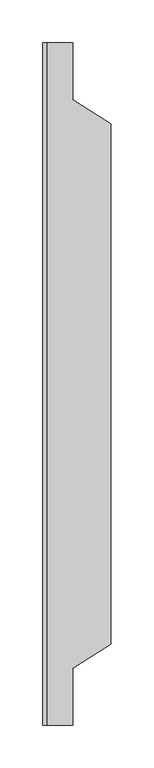
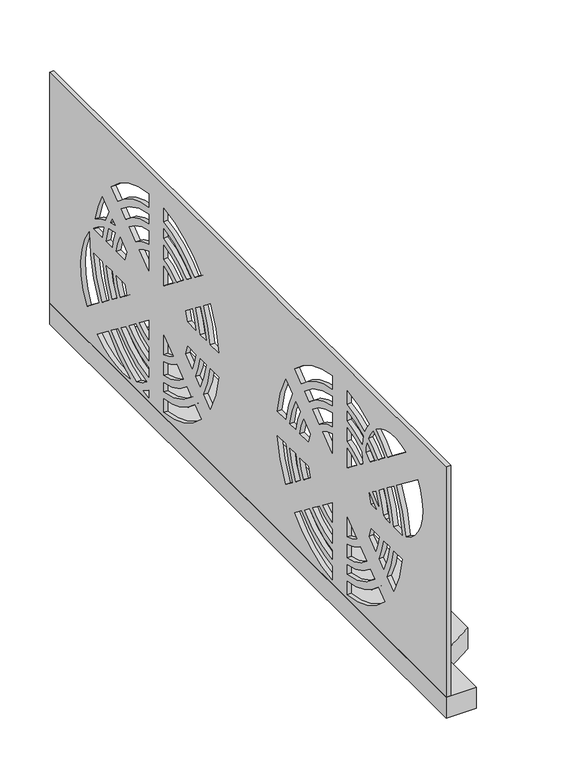
"""IFC4 building model written with IfcOpenShell, lengths in millimetres: proxy geometry."""

import ifcopenshell
import ifcopenshell.guid

model = None  # the IFC model being written
_history = None  # IfcOwnerHistory: only IFC2X3 demands one
_inside = {}  # id of a spatial element -> (the spatial element, [elements in it])
_under = {}  # id of a project, library or spatial element -> (it, [spatial elements below it])
_declared = {}  # id of a project -> (the project, [libraries it declares])
_typed = {}  # id of a type object -> (the type object, [elements of that type])
_made_of = {}  # id of a material, layer set ... -> (it, [elements and type objects made of it])


def new_model(schema):
    """Start an empty IFC model of exactly this schema.

    Asked for "IFC4X3", IfcOpenShell would pick the latest addendum, in which some entities
    have other attributes; the version numbers below select the first issue.
    IFC2X3 requires an IfcOwnerHistory on every rooted entity: one is made here for all.
    """
    global model, _history
    if schema == "IFC4X3":
        model = ifcopenshell.file(schema_version=(4, 3, 0, 0))
    else:
        model = ifcopenshell.file(schema=schema)
    _inside.clear()
    _under.clear()
    _declared.clear()
    _typed.clear()
    _made_of.clear()
    _history = None
    if model.schema == "IFC2X3":
        org = make("IfcOrganization", Name="unknown")
        user = make(
            "IfcPersonAndOrganization",
            ThePerson=make("IfcPerson", FamilyName="unknown"),
            TheOrganization=org,
        )
        app = make(
            "IfcApplication",
            ApplicationDeveloper=org,
            Version="unknown",
            ApplicationFullName="unknown",
            ApplicationIdentifier="unknown",
        )
        _history = make(
            "IfcOwnerHistory",
            OwningUser=user,
            OwningApplication=app,
            ChangeAction="ADDED",
            CreationDate=0,
        )
    return model


def make(cls, **values):
    """One entity of the class cls with the attributes given. An attribute that is None is left unset."""
    return model.create_entity(
        cls, **{name: value for name, value in values.items() if value is not None}
    )


def rooted(cls, **values):
    """An entity with a GlobalId (a new one), such as an element, a storey or a relation."""
    return make(cls, GlobalId=ifcopenshell.guid.new(), OwnerHistory=_history, **values)


def si_unit(unit_type, name, prefix=None):
    """IfcSIUnit, for example si_unit("LENGTHUNIT", "METRE", prefix="MILLI")."""
    return make("IfcSIUnit", UnitType=unit_type, Prefix=prefix, Name=name)


def assignment(units):
    """IfcUnitAssignment: the units of a project."""
    return None if units is None else make("IfcUnitAssignment", Units=units)


def point(xyz):
    """IfcCartesianPoint."""
    return None if xyz is None else make("IfcCartesianPoint", Coordinates=xyz)


def direction(xyz):
    """IfcDirection."""
    return None if xyz is None else make("IfcDirection", DirectionRatios=xyz)


def frame(location, z_axis=None, x_axis=None):
    """IfcAxis2Placement3D, a coordinate frame: its origin and axes. An axis left out is left unset."""
    return make(
        "IfcAxis2Placement3D",
        Location=point(location),
        Axis=direction(z_axis),
        RefDirection=direction(x_axis),
    )


def frame_2d(location, x_axis=None):
    """IfcAxis2Placement2D, a coordinate frame in the plane: its origin and x axis."""
    return make(
        "IfcAxis2Placement2D", Location=point(location), RefDirection=direction(x_axis)
    )


def origin():
    """The frame at (0, 0, 0) with its axes left unset."""
    return frame((0.0, 0.0, 0.0))


def place(relative_to, where):
    """IfcLocalPlacement: puts the frame where relative to a parent placement (None: the world)."""
    return make(
        "IfcLocalPlacement", PlacementRelTo=relative_to, RelativePlacement=where
    )


def context(
    kind, dimensions, precision=None, world=None, true_north=None, identifier=None
):
    """IfcGeometricRepresentationContext, for example the 3D "Model" context."""
    return make(
        "IfcGeometricRepresentationContext",
        ContextIdentifier=identifier,
        ContextType=kind,
        CoordinateSpaceDimension=dimensions,
        Precision=precision,
        WorldCoordinateSystem=world,
        TrueNorth=true_north,
    )


def project(units=None, contexts=None):
    """IfcProject with its units and contexts."""
    return rooted(
        "IfcProject",
        Name="project",
        RepresentationContexts=contexts,
        UnitsInContext=assignment(units),
    )


def spatial(cls, under=None, at=None, **own):
    """A site, building, storey or space (cls), placed at a placement, below another one or the project."""
    s = rooted(cls, ObjectPlacement=at, **own)
    if under is not None:
        _under.setdefault(under.id(), (under, []))[1].append(s)
    return s


def polyline(points):
    """IfcPolyline through the points."""
    return make("IfcPolyline", Points=[point(p) for p in points])


def circle_curve(where, radius):
    """IfcCircle in the frame where."""
    return make("IfcCircle", Position=where, Radius=radius)


def trimmed(basis, trim1, trim2, sense, master):
    """IfcTrimmedCurve: the piece of a basis curve between two trims."""
    return make(
        "IfcTrimmedCurve",
        BasisCurve=basis,
        Trim1=trim1,
        Trim2=trim2,
        SenseAgreement=sense,
        MasterRepresentation=master,
    )


def segment(curve, same_sense, transition):
    """IfcCompositeCurveSegment."""
    return make(
        "IfcCompositeCurveSegment",
        Transition=transition,
        SameSense=same_sense,
        ParentCurve=curve,
    )


def composite_curve(segments, self_intersect=None):
    """IfcCompositeCurve: segments joined end to end."""
    return make("IfcCompositeCurve", Segments=segments, SelfIntersect=self_intersect)


def outline(outer, holes=None, kind="AREA"):
    """IfcArbitraryClosedProfileDef: a profile drawn as a closed curve; with holes, ...WithVoids."""
    if holes is None:
        return make("IfcArbitraryClosedProfileDef", ProfileType=kind, OuterCurve=outer)
    return make(
        "IfcArbitraryProfileDefWithVoids",
        ProfileType=kind,
        OuterCurve=outer,
        InnerCurves=holes,
    )


def extrude(swept, where, along, depth):
    """IfcExtrudedAreaSolid: the profile swept, set in the frame where, extruded along a direction by depth."""
    return make(
        "IfcExtrudedAreaSolid",
        SweptArea=swept,
        Position=where,
        ExtrudedDirection=direction(along),
        Depth=depth,
    )


def shape(context_of_items, identifier, shape_type, items):
    """IfcShapeRepresentation: the items that make up one representation, for example the "Body"."""
    return make(
        "IfcShapeRepresentation",
        ContextOfItems=context_of_items,
        RepresentationIdentifier=identifier,
        RepresentationType=shape_type,
        Items=items,
    )


def source(mapping_origin, context_of_items, identifier, shape_type, items):
    """IfcRepresentationMap: a shape defined once, which mapped items show again and again."""
    return make(
        "IfcRepresentationMap",
        MappingOrigin=mapping_origin,
        MappedRepresentation=shape(context_of_items, identifier, shape_type, items),
    )


def transform(
    local_origin,
    x_axis=None,
    y_axis=None,
    z_axis=None,
    scale=None,
    scale2=None,
    scale3=None,
    uniform=True,
):
    """IfcCartesianTransformationOperator3D, or its non-uniform kind. x_axis, y_axis, z_axis: its Axis1, 2, 3."""
    if uniform:
        return make(
            "IfcCartesianTransformationOperator3D",
            Axis1=direction(x_axis),
            Axis2=direction(y_axis),
            LocalOrigin=point(local_origin),
            Scale=scale,
            Axis3=direction(z_axis),
        )
    return make(
        "IfcCartesianTransformationOperator3DnonUniform",
        Axis1=direction(x_axis),
        Axis2=direction(y_axis),
        LocalOrigin=point(local_origin),
        Scale=scale,
        Axis3=direction(z_axis),
        Scale2=scale2,
        Scale3=scale3,
    )


def mapped(mapping_source, mapping_target):
    """IfcMappedItem: shows the shape of a source again, moved by a transform."""
    return make(
        "IfcMappedItem", MappingSource=mapping_source, MappingTarget=mapping_target
    )


def made_of(thing, what):
    """Note that an element or type object is made of a material, layer set ...; save() writes the relation."""
    if what is not None:
        _made_of.setdefault(what.id(), (what, []))[1].append(thing)
    return thing


def element(
    cls,
    number,
    at=None,
    inside=None,
    cuts=None,
    type_object=None,
    material=None,
    context=None,
    identifier="Body",
    shape_type=None,
    held_by="IfcProductDefinitionShape",
    body=None,
    shapes=None,
    **own,
):
    """One element of the class cls, such as IfcWall. Its Tag is "e" and its number.

    at: its placement. inside: the storey or other place that contains it. cuts: it is an
    opening in that element (IfcRelVoidsElement). A single representation is given by context,
    identifier, shape_type and body (its items); several are given by shapes. held_by: the class
    of the entity that holds the representations. save() writes the other relations.
    """
    e = rooted(cls, Tag="e%d" % number, ObjectPlacement=at, **own)
    if body is not None:
        shapes = [shape(context, identifier, shape_type, body)]
    if shapes is not None:
        e.Representation = make(held_by, Representations=shapes)
    if inside is not None:
        _inside.setdefault(inside.id(), (inside, []))[1].append(e)
    if cuts is not None:
        rooted(
            "IfcRelVoidsElement", RelatingBuildingElement=cuts, RelatedOpeningElement=e
        )
    if type_object is not None:
        _typed.setdefault(type_object.id(), (type_object, []))[1].append(e)
    return made_of(e, material)


def aggregate(whole, parts):
    """IfcRelAggregates: a whole, such as a stair, and the parts it consists of."""
    return rooted("IfcRelAggregates", RelatingObject=whole, RelatedObjects=parts)


def save(model, path):
    """Write the relations noted so far, then the file.

    IfcRelAggregates (storeys below a building ...), IfcRelContainedInSpatialStructure (elements
    in a storey), IfcRelDefinesByType, IfcRelAssociatesMaterial and IfcRelDeclares: one each for
    every whole, place, type object, material and project.
    """
    for whole, parts in _under.values():
        aggregate(whole, parts)
    for where, things in _inside.values():
        rooted(
            "IfcRelContainedInSpatialStructure",
            RelatedElements=things,
            RelatingStructure=where,
        )
    for kind, things in _typed.values():
        rooted("IfcRelDefinesByType", RelatedObjects=things, RelatingType=kind)
    for what, things in _made_of.values():
        rooted("IfcRelAssociatesMaterial", RelatedObjects=things, RelatingMaterial=what)
    for by, libraries in _declared.values():
        rooted("IfcRelDeclares", RelatingContext=by, RelatedDefinitions=libraries)
    model.write(path)


def specialty_equipment_1ec8d2ef(model_context):
    return source(origin(), model_context, "Body", "SweptSolid", [
        extrude(outline(polyline([(-1157.5, -400.0), (-1157.5, 400.0), (-1122.5, 400.0), (-1122.5, 333.125), (-1077.5, 305.0), (-1077.5, -305.0), (-1122.5, -333.125), (-1122.5, -400.0), (-1157.5, -400.0)])), frame((0.0, 0.0, 40.0), z_axis=(0.0, 0.0, 1.0), x_axis=(1.0, 0.0, 0.0)), (0.0, 0.0, 1.0), 26.0),
        extrude(outline(polyline([(-400.0, 350.0), (400.0, 350.0), (400.0, 40.0), (-400.0, 40.0), (-400.0, 350.0)]), holes=[composite_curve([segment(trimmed(circle_curve(frame_2d((185.0, 196.5)), 135.0), [point((319.8820078, 202.143046))], [point((300.4489875, 126.5247809))], False, "CARTESIAN"), True, "CONTINUOUS"), segment(polyline([(300.4489875, 126.5247809), (324.2966227, 108.1596295)]), True, "CONTINUOUS"), segment(trimmed(circle_curve(frame_2d((255.0, 152.0)), 82.0), [point((324.2966227, 108.1596295))], [point((319.8820078, 202.143046))], True, "CARTESIAN"), True, "CONTINUOUS")], self_intersect=False), composite_curve([segment(trimmed(circle_curve(frame_2d((255.0, 152.0)), 82.0), [point((310.5015775, 212.3620319))], [point((291.069857, 225.6407863))], True, "CARTESIAN"), True, "CONTINUOUS"), segment(trimmed(circle_curve(frame_2d((185.0, 196.5)), 110.0), [point((291.069857, 225.6407863))], [point((293.9724736, 211.5))], False, "CARTESIAN"), True, "CONTINUOUS"), segment(polyline([(293.9724736, 211.5), (310.6075237, 211.5)]), True, "CONTINUOUS"), segment(trimmed(circle_curve(frame_2d((184.9999998, 196.5)), 126.5000002), [point((310.6075237, 211.5))], [point((310.5015775, 212.3620319))], True, "CARTESIAN"), True, "CONTINUOUS")], self_intersect=False), composite_curve([segment(polyline([(293.6697176, 261.2544785), (280.4899397, 251.1046831)]), True, "CONTINUOUS"), segment(trimmed(circle_curve(frame_2d((185.0, 196.5)), 110.0), [point((280.4899397, 251.1046831))], [point((287.4811051, 236.4702777))], False, "CARTESIAN"), True, "CONTINUOUS"), segment(trimmed(circle_curve(frame_2d((255.0, 152.0)), 90.5), [point((287.4811051, 236.4702777))], [point((308.1981724, 225.2134172))], False, "CARTESIAN"), True, "CONTINUOUS"), segment(trimmed(circle_curve(frame_2d((185.0, 196.5)), 126.5), [point((308.1981724, 225.2134172))], [point((293.6697176, 261.2544785))], True, "CARTESIAN"), True, "CONTINUOUS")], self_intersect=False), composite_curve([segment(trimmed(circle_curve(frame_2d((185.0, 196.5)), 110.0), [point((293.9724736, 181.5))], [point((280.4899397, 141.8953169))], False, "CARTESIAN"), True, "CONTINUOUS"), segment(polyline([(280.4899397, 141.8953169), (293.6697176, 131.7455215)]), True, "CONTINUOUS"), segment(trimmed(circle_curve(frame_2d((185.0, 196.5)), 126.5), [point((293.6697176, 131.7455215))], [point((310.6075237, 181.5))], True, "CARTESIAN"), True, "CONTINUOUS"), segment(polyline([(310.6075237, 181.5), (293.9724736, 181.5)]), True, "CONTINUOUS")], self_intersect=False), composite_curve([segment(polyline([(273.6865749, 245.8653869), (268.0822264, 241.5494576)]), True, "CONTINUOUS"), segment(trimmed(circle_curve(frame_2d((255.0, 152.0)), 90.5), [point((268.0822264, 241.5494576))], [point((276.7819628, 239.8396044))], False, "CARTESIAN"), True, "CONTINUOUS"), segment(trimmed(circle_curve(frame_2d((185.0, 196.5)), 101.5), [point((276.7819628, 239.8396044))], [point((273.6865749, 245.8653869))], True, "CARTESIAN"), True, "CONTINUOUS")], self_intersect=False), composite_curve([segment(trimmed(circle_curve(frame_2d((255.0, 152.0)), 82.0), [point((280.8787765, 229.8093113))], [point((267.2294971, 233.0829168))], True, "CARTESIAN"), True, "CONTINUOUS"), segment(trimmed(circle_curve(frame_2d((185.0, 196.5)), 90.0), [point((267.2294971, 233.0829168))], [point((273.7411967, 211.5))], False, "CARTESIAN"), True, "CONTINUOUS"), segment(polyline([(273.7411967, 211.5), (285.3855069, 211.5)]), True, "CONTINUOUS"), segment(trimmed(circle_curve(frame_2d((185.0, 196.5)), 101.5), [point((285.3855069, 211.5))], [point((280.8787765, 229.8093113))], True, "CARTESIAN"), True, "CONTINUOUS")], self_intersect=False), composite_curve([segment(trimmed(circle_curve(frame_2d((185.0, 196.5)), 90.0), [point((273.7411967, 181.5))], [point((264.4609086, 154.2393326))], False, "CARTESIAN"), True, "CONTINUOUS"), segment(polyline([(264.4609086, 154.2393326), (273.6865749, 147.1346131)]), True, "CONTINUOUS"), segment(trimmed(circle_curve(frame_2d((185.0, 196.5)), 101.5), [point((273.6865749, 147.1346131))], [point((285.3855069, 181.5))], True, "CARTESIAN"), True, "CONTINUOUS"), segment(polyline([(285.3855069, 181.5), (273.7411967, 181.5)]), True, "CONTINUOUS")], self_intersect=False), composite_curve([segment(polyline([(257.6207102, 233.4930055), (244.2609742, 223.2046238)]), True, "CONTINUOUS"), segment(trimmed(circle_curve(frame_2d((185.0, 196.5)), 65.0), [point((244.2609742, 223.2046238))], [point((248.2455532, 211.5))], False, "CARTESIAN"), True, "CONTINUOUS"), segment(polyline([(248.2455532, 211.5), (265.10774, 211.5)]), True, "CONTINUOUS"), segment(trimmed(circle_curve(frame_2d((185.0, 196.5)), 81.5), [point((265.10774, 211.5))], [point((257.6207102, 233.4930055))], True, "CARTESIAN"), True, "CONTINUOUS")], self_intersect=False), composite_curve([segment(trimmed(circle_curve(frame_2d((185.0, 196.5)), 65.0), [point((248.2455532, 181.5))], [point((244.2609742, 169.7953762))], False, "CARTESIAN"), True, "CONTINUOUS"), segment(polyline([(244.2609742, 169.7953762), (257.6207102, 159.5069945)]), True, "CONTINUOUS"), segment(trimmed(circle_curve(frame_2d((185.0, 196.5)), 81.5), [point((257.6207102, 159.5069945))], [point((265.10774, 181.5))], True, "CARTESIAN"), True, "CONTINUOUS"), segment(polyline([(265.10774, 181.5), (248.2455532, 181.5)]), True, "CONTINUOUS")], self_intersect=False), composite_curve([segment(trimmed(circle_curve(frame_2d((185.0, 196.5)), 135.0), [point((282.1446326, 102.7560916))], [point((237.1297287, 71.9709215))], False, "CARTESIAN"), True, "CONTINUOUS"), segment(trimmed(circle_curve(frame_2d((255.0, 152.0)), 82.0), [point((237.1297287, 71.9709215))], [point((303.7849826, 86.0907786))], True, "CARTESIAN"), True, "CONTINUOUS"), segment(polyline([(303.7849826, 86.0907786), (282.1446326, 102.7560916)]), True, "CONTINUOUS")], self_intersect=False), composite_curve([segment(trimmed(circle_curve(frame_2d((185.0, 196.5)), 110.0), [point((262.1855848, 118.1266276))], [point((203.6258299, 88.0883841))], False, "CARTESIAN"), True, "CONTINUOUS"), segment(trimmed(circle_curve(frame_2d((255.0, 152.0)), 82.0), [point((203.6258299, 88.0883841))], [point((223.8957918, 76.1282119))], True, "CARTESIAN"), True, "CONTINUOUS"), segment(trimmed(circle_curve(frame_2d((185.0, 196.5)), 126.5), [point((223.8957918, 76.1282119))], [point((275.3653627, 107.9768322))], True, "CARTESIAN"), True, "CONTINUOUS"), segment(polyline([(275.3653627, 107.9768322), (262.1855848, 118.1266276)]), True, "CONTINUOUS")], self_intersect=False), composite_curve([segment(polyline([(200.0, 322.1075237), (200.0, 305.4724736)]), True, "CONTINUOUS"), segment(trimmed(circle_curve(frame_2d((185.0, 196.5)), 110.0), [point((200.0, 305.4724736))], [point((262.1855848, 274.8733724))], False, "CARTESIAN"), True, "CONTINUOUS"), segment(polyline([(262.1855848, 274.8733724), (275.3653627, 285.0231678)]), True, "CONTINUOUS"), segment(trimmed(circle_curve(frame_2d((185.0, 196.5)), 126.5), [point((275.3653627, 285.0231678))], [point((200.0, 322.1075237))], True, "CARTESIAN"), True, "CONTINUOUS")], self_intersect=False), composite_curve([segment(polyline([(200.0, 166.0159748), (200.0, 142.0275299)]), True, "CONTINUOUS"), segment(trimmed(circle_curve(frame_2d((185.0, 196.5)), 56.5), [point((200.0, 142.0275299))], [point((219.0057965, 151.3795411))], True, "CARTESIAN"), True, "CONTINUOUS"), segment(polyline([(219.0057965, 151.3795411), (200.0, 166.0159748)]), True, "CONTINUOUS")], self_intersect=False), composite_curve([segment(polyline([(200.0, 133.2544468), (200.0, 116.39226)]), True, "CONTINUOUS"), segment(trimmed(circle_curve(frame_2d((185.0, 196.5)), 81.5), [point((200.0, 116.39226))], [point((239.3163553, 135.7383052))], True, "CARTESIAN"), True, "CONTINUOUS"), segment(polyline([(239.3163553, 135.7383052), (225.9566193, 146.0266869)]), True, "CONTINUOUS"), segment(trimmed(circle_curve(frame_2d((185.0, 196.5)), 65.0), [point((225.9566193, 146.0266869))], [point((200.0, 133.2544468))], False, "CARTESIAN"), True, "CONTINUOUS")], self_intersect=False), composite_curve([segment(polyline([(200.0, 250.9724701), (200.0, 226.9840252), (219.0057965, 241.6204589)]), True, "CONTINUOUS"), segment(trimmed(circle_curve(frame_2d((185.0, 196.5)), 56.5), [point((219.0057965, 241.6204589))], [point((200.0, 250.9724701))], True, "CARTESIAN"), True, "CONTINUOUS")], self_intersect=False), composite_curve([segment(trimmed(circle_curve(frame_2d((185.0, 196.5)), 81.5), [point((239.3163553, 257.2616948))], [point((200.0, 276.60774))], True, "CARTESIAN"), True, "CONTINUOUS"), segment(polyline([(200.0, 276.60774), (200.0, 259.7455532)]), True, "CONTINUOUS"), segment(trimmed(circle_curve(frame_2d((185.0, 196.5)), 65.0), [point((200.0, 259.7455532))], [point((225.9566193, 246.9733131))], False, "CARTESIAN"), True, "CONTINUOUS"), segment(polyline([(225.9566193, 246.9733131), (239.3163553, 257.2616948)]), True, "CONTINUOUS")], self_intersect=False), composite_curve([segment(polyline([(200.0, 107.7588033), (200.0, 96.1144931)]), True, "CONTINUOUS"), segment(trimmed(circle_curve(frame_2d((185.0, 196.5)), 101.5), [point((200.0, 96.1144931))], [point((255.38222, 123.3659238))], True, "CARTESIAN"), True, "CONTINUOUS"), segment(polyline([(255.38222, 123.3659238), (246.1565537, 130.4706433)]), True, "CONTINUOUS"), segment(trimmed(circle_curve(frame_2d((185.0, 196.5)), 90.0), [point((246.1565537, 130.4706433))], [point((200.0, 107.7588033))], False, "CARTESIAN"), True, "CONTINUOUS")], self_intersect=False), composite_curve([segment(trimmed(circle_curve(frame_2d((185.0, 196.5)), 101.5), [point((255.38222, 269.6340762))], [point((200.0, 296.8855069))], True, "CARTESIAN"), True, "CONTINUOUS"), segment(polyline([(200.0, 296.8855069), (200.0, 285.2411967)]), True, "CONTINUOUS"), segment(trimmed(circle_curve(frame_2d((185.0, 196.5)), 90.0), [point((200.0, 285.2411967))], [point((246.1565537, 262.5293567))], False, "CARTESIAN"), True, "CONTINUOUS"), segment(polyline([(246.1565537, 262.5293567), (255.38222, 269.6340762)]), True, "CONTINUOUS")], self_intersect=False), composite_curve([segment(polyline([(200.0, 80.1303263), (200.0, 70.8924763)]), True, "CONTINUOUS"), segment(trimmed(circle_curve(frame_2d((185.0, 196.5)), 126.5), [point((200.0, 70.8924763))], [point((211.2814977, 72.7602211))], True, "CARTESIAN"), True, "CONTINUOUS"), segment(trimmed(circle_curve(frame_2d((255.0, 152.0)), 90.5), [point((211.2814977, 72.7602211))], [point((200.0, 80.1303263))], False, "CARTESIAN"), True, "CONTINUOUS")], self_intersect=False), composite_curve([segment(polyline([(170.0, 166.0159748), (150.9942035, 151.3795411)]), True, "CONTINUOUS"), segment(trimmed(circle_curve(frame_2d((185.0, 196.5)), 56.5), [point((150.9942035, 151.3795411))], [point((170.0, 142.0275299))], True, "CARTESIAN"), True, "CONTINUOUS"), segment(polyline([(170.0, 142.0275299), (170.0, 166.0159748)]), True, "CONTINUOUS")], self_intersect=False), composite_curve([segment(trimmed(circle_curve(frame_2d((185.0, 196.5)), 56.5), [point((170.0, 250.9724701))], [point((150.9942035, 241.6204589))], True, "CARTESIAN"), True, "CONTINUOUS"), segment(polyline([(150.9942035, 241.6204589), (170.0, 226.9840252), (170.0, 250.9724701)]), True, "CONTINUOUS")], self_intersect=False), composite_curve([segment(polyline([(144.0433807, 146.0266869), (130.6836447, 135.7383052)]), True, "CONTINUOUS"), segment(trimmed(circle_curve(frame_2d((185.0, 196.5)), 81.5), [point((130.6836447, 135.7383052))], [point((170.0, 116.39226))], True, "CARTESIAN"), True, "CONTINUOUS"), segment(polyline([(170.0, 116.39226), (170.0, 133.2544468)]), True, "CONTINUOUS"), segment(trimmed(circle_curve(frame_2d((185.0, 196.5)), 65.0), [point((170.0, 133.2544468))], [point((144.0433807, 146.0266869))], False, "CARTESIAN"), True, "CONTINUOUS")], self_intersect=False), composite_curve([segment(trimmed(circle_curve(frame_2d((185.0, 196.5)), 81.5), [point((170.0, 276.60774))], [point((130.6836447, 257.2616948))], True, "CARTESIAN"), True, "CONTINUOUS"), segment(polyline([(130.6836447, 257.2616948), (144.0433807, 246.9733131)]), True, "CONTINUOUS"), segment(trimmed(circle_curve(frame_2d((185.0, 196.5)), 65.0), [point((144.0433807, 246.9733131))], [point((170.0, 259.7455532))], False, "CARTESIAN"), True, "CONTINUOUS"), segment(polyline([(170.0, 259.7455532), (170.0, 276.60774)]), True, "CONTINUOUS")], self_intersect=False), composite_curve([segment(polyline([(123.8434463, 130.4706433), (114.61778, 123.3659238)]), True, "CONTINUOUS"), segment(trimmed(circle_curve(frame_2d((185.0, 196.5)), 101.5), [point((114.61778, 123.3659238))], [point((170.0, 96.1144931))], True, "CARTESIAN"), True, "CONTINUOUS"), segment(polyline([(170.0, 96.1144931), (170.0, 107.7588033)]), True, "CONTINUOUS"), segment(trimmed(circle_curve(frame_2d((185.0, 196.5)), 90.0), [point((170.0, 107.7588033))], [point((123.8434463, 130.4706433))], False, "CARTESIAN"), True, "CONTINUOUS")], self_intersect=False), composite_curve([segment(trimmed(circle_curve(frame_2d((185.0, 196.5)), 101.5), [point((170.0, 296.8855069))], [point((114.61778, 269.6340762))], True, "CARTESIAN"), True, "CONTINUOUS"), segment(polyline([(114.61778, 269.6340762), (123.8434463, 262.5293567)]), True, "CONTINUOUS"), segment(trimmed(circle_curve(frame_2d((185.0, 196.5)), 90.0), [point((123.8434463, 262.5293567))], [point((170.0, 285.2411967))], False, "CARTESIAN"), True, "CONTINUOUS"), segment(polyline([(170.0, 285.2411967), (170.0, 296.8855069)]), True, "CONTINUOUS")], self_intersect=False), composite_curve([segment(trimmed(circle_curve(frame_2d((185.0, 196.5)), 81.5), [point((112.3792898, 233.4930055))], [point((104.89226, 211.5))], True, "CARTESIAN"), True, "CONTINUOUS"), segment(polyline([(104.89226, 211.5), (121.7544468, 211.5)]), True, "CONTINUOUS"), segment(trimmed(circle_curve(frame_2d((185.0, 196.5)), 65.0), [point((121.7544468, 211.5))], [point((125.7390258, 223.2046238))], False, "CARTESIAN"), True, "CONTINUOUS"), segment(polyline([(125.7390258, 223.2046238), (112.3792898, 233.4930055)]), True, "CONTINUOUS")], self_intersect=False), composite_curve([segment(polyline([(121.7544468, 181.5), (104.89226, 181.5)]), True, "CONTINUOUS"), segment(trimmed(circle_curve(frame_2d((185.0, 196.5)), 81.5), [point((104.89226, 181.5))], [point((112.3792898, 159.5069945))], True, "CARTESIAN"), True, "CONTINUOUS"), segment(polyline([(112.3792898, 159.5069945), (125.7390258, 169.7953762)]), True, "CONTINUOUS"), segment(trimmed(circle_curve(frame_2d((185.0, 196.5)), 65.0), [point((125.7390258, 169.7953762))], [point((121.7544468, 181.5))], False, "CARTESIAN"), True, "CONTINUOUS")], self_intersect=False), composite_curve([segment(polyline([(107.8144152, 118.1266276), (94.6346373, 107.9768322)]), True, "CONTINUOUS"), segment(trimmed(circle_curve(frame_2d((185.0, 196.5)), 126.5), [point((94.6346373, 107.9768322))], [point((170.0, 70.8924763))], True, "CARTESIAN"), True, "CONTINUOUS"), segment(polyline([(170.0, 70.8924763), (170.0, 87.5275264)]), True, "CONTINUOUS"), segment(trimmed(circle_curve(frame_2d((185.0, 196.5)), 110.0), [point((170.0, 87.5275264))], [point((107.8144152, 118.1266276))], False, "CARTESIAN"), True, "CONTINUOUS")], self_intersect=False), composite_curve([segment(trimmed(circle_curve(frame_2d((185.0, 196.5)), 126.5), [point((170.0, 322.1075237))], [point((94.6346373, 285.0231678))], True, "CARTESIAN"), True, "CONTINUOUS"), segment(polyline([(94.6346373, 285.0231678), (107.8144152, 274.8733724)]), True, "CONTINUOUS"), segment(trimmed(circle_curve(frame_2d((185.0, 196.5)), 110.0), [point((107.8144152, 274.8733724))], [point((170.0, 305.4724736))], False, "CARTESIAN"), True, "CONTINUOUS"), segment(polyline([(170.0, 305.4724736), (170.0, 322.1075237)]), True, "CONTINUOUS")], self_intersect=False), composite_curve([segment(polyline([(96.2588033, 181.5), (84.6144931, 181.5)]), True, "CONTINUOUS"), segment(trimmed(circle_curve(frame_2d((185.0, 196.5)), 101.5), [point((84.6144931, 181.5))], [point((96.3134251, 147.1346131))], True, "CARTESIAN"), True, "CONTINUOUS"), segment(polyline([(96.3134251, 147.1346131), (105.5390914, 154.2393326)]), True, "CONTINUOUS"), segment(trimmed(circle_curve(frame_2d((185.0, 196.5)), 90.0), [point((105.5390914, 154.2393326))], [point((96.2588033, 181.5))], False, "CARTESIAN"), True, "CONTINUOUS")], self_intersect=False), composite_curve([segment(trimmed(circle_curve(frame_2d((185.0, 196.5)), 101.5), [point((96.3134251, 245.8653869))], [point((84.6144931, 211.5))], True, "CARTESIAN"), True, "CONTINUOUS"), segment(polyline([(84.6144931, 211.5), (96.2588033, 211.5)]), True, "CONTINUOUS"), segment(trimmed(circle_curve(frame_2d((185.0, 196.5)), 90.0), [point((96.2588033, 211.5))], [point((105.5390914, 238.7606674))], False, "CARTESIAN"), True, "CONTINUOUS"), segment(polyline([(105.5390914, 238.7606674), (96.3134251, 245.8653869)]), True, "CONTINUOUS")], self_intersect=False), composite_curve([segment(trimmed(circle_curve(frame_2d((185.0, 196.5)), 126.5), [point((76.3302824, 261.2544785))], [point((59.3924763, 211.5))], True, "CARTESIAN"), True, "CONTINUOUS"), segment(polyline([(59.3924763, 211.5), (76.0275264, 211.5)]), True, "CONTINUOUS"), segment(trimmed(circle_curve(frame_2d((185.0, 196.5)), 110.0), [point((76.0275264, 211.5))], [point((89.5100603, 251.1046831))], False, "CARTESIAN"), True, "CONTINUOUS"), segment(polyline([(89.5100603, 251.1046831), (76.3302824, 261.2544785)]), True, "CONTINUOUS")], self_intersect=False), composite_curve([segment(polyline([(76.0275264, 181.5), (59.3924763, 181.5)]), True, "CONTINUOUS"), segment(trimmed(circle_curve(frame_2d((185.0, 196.5)), 126.5), [point((59.3924763, 181.5))], [point((76.3302824, 131.7455215))], True, "CARTESIAN"), True, "CONTINUOUS"), segment(polyline([(76.3302824, 131.7455215), (89.5100603, 141.8953169)]), True, "CONTINUOUS"), segment(trimmed(circle_curve(frame_2d((185.0, 196.5)), 110.0), [point((89.5100603, 141.8953169))], [point((76.0275264, 181.5))], False, "CARTESIAN"), True, "CONTINUOUS")], self_intersect=False), composite_curve([segment(polyline([(-76.3302824, 261.2544785), (-89.5100603, 251.1046831)]), True, "CONTINUOUS"), segment(trimmed(circle_curve(frame_2d((-185.0, 196.5)), 110.0), [point((-89.5100603, 251.1046831))], [point((-76.0275264, 211.5))], False, "CARTESIAN"), True, "CONTINUOUS"), segment(polyline([(-76.0275264, 211.5), (-59.3924763, 211.5)]), True, "CONTINUOUS"), segment(trimmed(circle_curve(frame_2d((-185.0, 196.5)), 126.5), [point((-59.3924763, 211.5))], [point((-76.3302824, 261.2544785))], True, "CARTESIAN"), True, "CONTINUOUS")], self_intersect=False), composite_curve([segment(trimmed(circle_curve(frame_2d((-185.0, 196.5)), 110.0), [point((-76.0275264, 181.5))], [point((-89.5100603, 141.8953169))], False, "CARTESIAN"), True, "CONTINUOUS"), segment(polyline([(-89.5100603, 141.8953169), (-76.3302824, 131.7455215)]), True, "CONTINUOUS"), segment(trimmed(circle_curve(frame_2d((-185.0, 196.5)), 126.5), [point((-76.3302824, 131.7455215))], [point((-59.3924763, 181.5))], True, "CARTESIAN"), True, "CONTINUOUS"), segment(polyline([(-59.3924763, 181.5), (-76.0275264, 181.5)]), True, "CONTINUOUS")], self_intersect=False), composite_curve([segment(polyline([(-96.3134251, 245.8653869), (-105.5390914, 238.7606674)]), True, "CONTINUOUS"), segment(trimmed(circle_curve(frame_2d((-185.0, 196.5)), 90.0), [point((-105.5390914, 238.7606674))], [point((-96.2588033, 211.5))], False, "CARTESIAN"), True, "CONTINUOUS"), segment(polyline([(-96.2588033, 211.5), (-84.6144931, 211.5)]), True, "CONTINUOUS"), segment(trimmed(circle_curve(frame_2d((-185.0, 196.5)), 101.5), [point((-84.6144931, 211.5))], [point((-96.3134251, 245.8653869))], True, "CARTESIAN"), True, "CONTINUOUS")], self_intersect=False), composite_curve([segment(trimmed(circle_curve(frame_2d((-185.0, 196.5)), 90.0), [point((-96.2588033, 181.5))], [point((-105.5390914, 154.2393326))], False, "CARTESIAN"), True, "CONTINUOUS"), segment(polyline([(-105.5390914, 154.2393326), (-96.3134251, 147.1346131)]), True, "CONTINUOUS"), segment(trimmed(circle_curve(frame_2d((-185.0, 196.5)), 101.5), [point((-96.3134251, 147.1346131))], [point((-84.6144931, 181.5))], True, "CARTESIAN"), True, "CONTINUOUS"), segment(polyline([(-84.6144931, 181.5), (-96.2588033, 181.5)]), True, "CONTINUOUS")], self_intersect=False), composite_curve([segment(trimmed(circle_curve(frame_2d((-185.0, 196.5)), 65.0), [point((-121.7544468, 181.5))], [point((-125.7390258, 169.7953762))], False, "CARTESIAN"), True, "CONTINUOUS"), segment(polyline([(-125.7390258, 169.7953762), (-112.3792898, 159.5069945)]), True, "CONTINUOUS"), segment(trimmed(circle_curve(frame_2d((-185.0, 196.5)), 81.5), [point((-112.3792898, 159.5069945))], [point((-104.89226, 181.5))], True, "CARTESIAN"), True, "CONTINUOUS"), segment(polyline([(-104.89226, 181.5), (-121.7544468, 181.5)]), True, "CONTINUOUS")], self_intersect=False), composite_curve([segment(polyline([(-112.3792898, 233.4930055), (-125.7390258, 223.2046238)]), True, "CONTINUOUS"), segment(trimmed(circle_curve(frame_2d((-185.0, 196.5)), 65.0), [point((-125.7390258, 223.2046238))], [point((-121.7544468, 211.5))], False, "CARTESIAN"), True, "CONTINUOUS"), segment(polyline([(-121.7544468, 211.5), (-104.89226, 211.5)]), True, "CONTINUOUS"), segment(trimmed(circle_curve(frame_2d((-185.0, 196.5)), 81.5), [point((-104.89226, 211.5))], [point((-112.3792898, 233.4930055))], True, "CARTESIAN"), True, "CONTINUOUS")], self_intersect=False), composite_curve([segment(polyline([(-170.0, 322.1075237), (-170.0, 305.4724736)]), True, "CONTINUOUS"), segment(trimmed(circle_curve(frame_2d((-185.0, 196.5)), 110.0), [point((-170.0, 305.4724736))], [point((-107.8144152, 274.8733724))], False, "CARTESIAN"), True, "CONTINUOUS"), segment(polyline([(-107.8144152, 274.8733724), (-94.6346373, 285.0231678)]), True, "CONTINUOUS"), segment(trimmed(circle_curve(frame_2d((-185.0, 196.5)), 126.5), [point((-94.6346373, 285.0231678))], [point((-170.0, 322.1075237))], True, "CARTESIAN"), True, "CONTINUOUS")], self_intersect=False), composite_curve([segment(polyline([(-170.0, 166.0159748), (-170.0, 142.0275299)]), True, "CONTINUOUS"), segment(trimmed(circle_curve(frame_2d((-185.0, 196.5)), 56.5), [point((-170.0, 142.0275299))], [point((-150.9942035, 151.3795411))], True, "CARTESIAN"), True, "CONTINUOUS"), segment(polyline([(-150.9942035, 151.3795411), (-170.0, 166.0159748)]), True, "CONTINUOUS")], self_intersect=False), composite_curve([segment(polyline([(-170.0, 133.2544468), (-170.0, 116.39226)]), True, "CONTINUOUS"), segment(trimmed(circle_curve(frame_2d((-185.0, 196.5)), 81.5), [point((-170.0, 116.39226))], [point((-130.6836447, 135.7383052))], True, "CARTESIAN"), True, "CONTINUOUS"), segment(polyline([(-130.6836447, 135.7383052), (-144.0433807, 146.0266869)]), True, "CONTINUOUS"), segment(trimmed(circle_curve(frame_2d((-185.0, 196.5)), 65.0), [point((-144.0433807, 146.0266869))], [point((-170.0, 133.2544468))], False, "CARTESIAN"), True, "CONTINUOUS")], self_intersect=False), composite_curve([segment(polyline([(-170.0, 250.9724701), (-170.0, 226.9840252), (-150.9942035, 241.6204589)]), True, "CONTINUOUS"), segment(trimmed(circle_curve(frame_2d((-185.0, 196.5)), 56.5), [point((-150.9942035, 241.6204589))], [point((-170.0, 250.9724701))], True, "CARTESIAN"), True, "CONTINUOUS")], self_intersect=False), composite_curve([segment(trimmed(circle_curve(frame_2d((-185.0, 196.5)), 81.5), [point((-130.6836447, 257.2616948))], [point((-170.0, 276.60774))], True, "CARTESIAN"), True, "CONTINUOUS"), segment(polyline([(-170.0, 276.60774), (-170.0, 259.7455532)]), True, "CONTINUOUS"), segment(trimmed(circle_curve(frame_2d((-185.0, 196.5)), 65.0), [point((-170.0, 259.7455532))], [point((-144.0433807, 246.9733131))], False, "CARTESIAN"), True, "CONTINUOUS"), segment(polyline([(-144.0433807, 246.9733131), (-130.6836447, 257.2616948)]), True, "CONTINUOUS")], self_intersect=False), composite_curve([segment(polyline([(-170.0, 107.7588033), (-170.0, 96.1144931)]), True, "CONTINUOUS"), segment(trimmed(circle_curve(frame_2d((-185.0, 196.5)), 101.5), [point((-170.0, 96.1144931))], [point((-114.61778, 123.3659238))], True, "CARTESIAN"), True, "CONTINUOUS"), segment(polyline([(-114.61778, 123.3659238), (-123.8434463, 130.4706433)]), True, "CONTINUOUS"), segment(trimmed(circle_curve(frame_2d((-185.0, 196.5)), 90.0), [point((-123.8434463, 130.4706433))], [point((-170.0, 107.7588033))], False, "CARTESIAN"), True, "CONTINUOUS")], self_intersect=False), composite_curve([segment(trimmed(circle_curve(frame_2d((-185.0, 196.5)), 101.5), [point((-114.61778, 269.6340762))], [point((-170.0, 296.8855069))], True, "CARTESIAN"), True, "CONTINUOUS"), segment(polyline([(-170.0, 296.8855069), (-170.0, 285.2411967)]), True, "CONTINUOUS"), segment(trimmed(circle_curve(frame_2d((-185.0, 196.5)), 90.0), [point((-170.0, 285.2411967))], [point((-123.8434463, 262.5293567))], False, "CARTESIAN"), True, "CONTINUOUS"), segment(polyline([(-123.8434463, 262.5293567), (-114.61778, 269.6340762)]), True, "CONTINUOUS")], self_intersect=False), composite_curve([segment(polyline([(-170.0, 87.5275264), (-170.0, 70.8924763)]), True, "CONTINUOUS"), segment(trimmed(circle_curve(frame_2d((-185.0, 196.5)), 126.5), [point((-170.0, 70.8924763))], [point((-94.6346373, 107.9768322))], True, "CARTESIAN"), True, "CONTINUOUS"), segment(polyline([(-94.6346373, 107.9768322), (-107.8144152, 118.1266276)]), True, "CONTINUOUS"), segment(trimmed(circle_curve(frame_2d((-185.0, 196.5)), 110.0), [point((-107.8144152, 118.1266276))], [point((-170.0, 87.5275264))], False, "CARTESIAN"), True, "CONTINUOUS")], self_intersect=False), composite_curve([segment(polyline([(-200.0, 166.0159748), (-219.0057965, 151.3795411)]), True, "CONTINUOUS"), segment(trimmed(circle_curve(frame_2d((-185.0, 196.5)), 56.5), [point((-219.0057965, 151.3795411))], [point((-200.0, 142.0275299))], True, "CARTESIAN"), True, "CONTINUOUS"), segment(polyline([(-200.0, 142.0275299), (-200.0, 166.0159748)]), True, "CONTINUOUS")], self_intersect=False), composite_curve([segment(trimmed(circle_curve(frame_2d((-185.0, 196.5)), 56.5), [point((-200.0, 250.9724701))], [point((-219.0057965, 241.6204589))], True, "CARTESIAN"), True, "CONTINUOUS"), segment(polyline([(-219.0057965, 241.6204589), (-200.0, 226.9840252), (-200.0, 250.9724701)]), True, "CONTINUOUS")], self_intersect=False), composite_curve([segment(trimmed(circle_curve(frame_2d((-295.0, 266.0)), 65.5), [point((-229.511525, 264.7713274))], [point((-231.2322126, 251.0360669))], False, "CARTESIAN"), True, "CONTINUOUS"), segment(polyline([(-231.2322126, 251.0360669), (-225.9566193, 246.9733131)]), True, "CONTINUOUS"), segment(trimmed(circle_curve(frame_2d((-185.0, 196.5)), 65.0), [point((-225.9566193, 246.9733131))], [point((-200.0, 259.7455532))], False, "CARTESIAN"), True, "CONTINUOUS"), segment(polyline([(-200.0, 259.7455532), (-200.0, 276.60774)]), True, "CONTINUOUS"), segment(trimmed(circle_curve(frame_2d((-185.0, 196.5)), 81.5), [point((-200.0, 276.60774))], [point((-229.511525, 264.7713274))], True, "CARTESIAN"), True, "CONTINUOUS")], self_intersect=False), composite_curve([segment(trimmed(circle_curve(frame_2d((-185.0, 196.5)), 101.5), [point((-200.0, 296.8855069))], [point((-232.6642599, 286.1123224))], True, "CARTESIAN"), True, "CONTINUOUS"), segment(trimmed(circle_curve(frame_2d((-295.0, 266.0)), 65.5), [point((-232.6642599, 286.1123224))], [point((-230.043109, 274.4173815))], False, "CARTESIAN"), True, "CONTINUOUS"), segment(trimmed(circle_curve(frame_2d((-185.0, 196.5)), 90.0), [point((-230.043109, 274.4173815))], [point((-200.0, 285.2411967))], False, "CARTESIAN"), True, "CONTINUOUS"), segment(polyline([(-200.0, 285.2411967), (-200.0, 296.8855069)]), True, "CONTINUOUS")], self_intersect=False), composite_curve([segment(polyline([(-225.9566193, 146.0266869), (-239.3163553, 135.7383052)]), True, "CONTINUOUS"), segment(trimmed(circle_curve(frame_2d((-185.0, 196.5)), 81.5), [point((-239.3163553, 135.7383052))], [point((-200.0, 116.39226))], True, "CARTESIAN"), True, "CONTINUOUS"), segment(polyline([(-200.0, 116.39226), (-200.0, 133.2544468)]), True, "CONTINUOUS"), segment(trimmed(circle_curve(frame_2d((-185.0, 196.5)), 65.0), [point((-200.0, 133.2544468))], [point((-225.9566193, 146.0266869))], False, "CARTESIAN"), True, "CONTINUOUS")], self_intersect=False), composite_curve([segment(trimmed(circle_curve(frame_2d((-185.0, 196.5)), 126.5), [point((-200.0, 322.1075237))], [point((-244.7416778, 308.004179))], True, "CARTESIAN"), True, "CONTINUOUS"), segment(trimmed(circle_curve(frame_2d((-295.0, 266.0)), 65.5), [point((-244.7416778, 308.004179))], [point((-235.8146202, 294.059594))], False, "CARTESIAN"), True, "CONTINUOUS"), segment(trimmed(circle_curve(frame_2d((-185.0, 196.5)), 110.0), [point((-235.8146202, 294.059594))], [point((-200.0, 305.4724736))], False, "CARTESIAN"), True, "CONTINUOUS"), segment(polyline([(-200.0, 305.4724736), (-200.0, 322.1075237)]), True, "CONTINUOUS")], self_intersect=False), composite_curve([segment(polyline([(-246.1565537, 130.4706433), (-255.38222, 123.3659238)]), True, "CONTINUOUS"), segment(trimmed(circle_curve(frame_2d((-185.0, 196.5)), 101.5), [point((-255.38222, 123.3659238))], [point((-200.0, 96.1144931))], True, "CARTESIAN"), True, "CONTINUOUS"), segment(polyline([(-200.0, 96.1144931), (-200.0, 107.7588033)]), True, "CONTINUOUS"), segment(trimmed(circle_curve(frame_2d((-185.0, 196.5)), 90.0), [point((-200.0, 107.7588033))], [point((-246.1565537, 130.4706433))], False, "CARTESIAN"), True, "CONTINUOUS")], self_intersect=False), composite_curve([segment(trimmed(circle_curve(frame_2d((-185.0, 196.5)), 101.5), [point((-240.1986503, 281.6783952))], [point((-255.38222, 269.6340762))], True, "CARTESIAN"), True, "CONTINUOUS"), segment(polyline([(-255.38222, 269.6340762), (-246.1565537, 262.5293567)]), True, "CONTINUOUS"), segment(trimmed(circle_curve(frame_2d((-185.0, 196.5)), 90.0), [point((-246.1565537, 262.5293567))], [point((-238.088479, 269.1747095))], False, "CARTESIAN"), True, "CONTINUOUS"), segment(trimmed(circle_curve(frame_2d((-295.0, 266.0)), 57.0), [point((-238.088479, 269.1747095))], [point((-240.1986503, 281.6783952))], True, "CARTESIAN"), True, "CONTINUOUS")], self_intersect=False), composite_curve([segment(trimmed(circle_curve(frame_2d((-295.0, 266.0)), 65.5), [point((-244.9564292, 223.7401962))], [point((-258.6681958, 211.5))], False, "CARTESIAN"), True, "CONTINUOUS"), segment(polyline([(-258.6681958, 211.5), (-248.2455532, 211.5)]), True, "CONTINUOUS"), segment(trimmed(circle_curve(frame_2d((-185.0, 196.5)), 65.0), [point((-248.2455532, 211.5))], [point((-244.2609742, 223.2046238))], False, "CARTESIAN"), True, "CONTINUOUS"), segment(polyline([(-244.2609742, 223.2046238), (-244.9564292, 223.7401962)]), True, "CONTINUOUS")], self_intersect=False), composite_curve([segment(trimmed(circle_curve(frame_2d((-185.0, 196.5)), 81.5), [point((-257.6207102, 233.4930055))], [point((-263.4705057, 218.5143075))], True, "CARTESIAN"), True, "CONTINUOUS"), segment(trimmed(circle_curve(frame_2d((-295.0, 266.0)), 57.0), [point((-263.4705057, 218.5143075))], [point((-251.6987439, 228.9324775))], True, "CARTESIAN"), True, "CONTINUOUS"), segment(polyline([(-251.6987439, 228.9324775), (-257.6207102, 233.4930055)]), True, "CONTINUOUS")], self_intersect=False), composite_curve([segment(polyline([(-248.2455532, 181.5), (-265.10774, 181.5)]), True, "CONTINUOUS"), segment(trimmed(circle_curve(frame_2d((-185.0, 196.5)), 81.5), [point((-265.10774, 181.5))], [point((-257.6207102, 159.5069945))], True, "CARTESIAN"), True, "CONTINUOUS"), segment(polyline([(-257.6207102, 159.5069945), (-244.2609742, 169.7953762)]), True, "CONTINUOUS"), segment(trimmed(circle_curve(frame_2d((-185.0, 196.5)), 65.0), [point((-244.2609742, 169.7953762))], [point((-248.2455532, 181.5))], False, "CARTESIAN"), True, "CONTINUOUS")], self_intersect=False), composite_curve([segment(polyline([(-262.1855848, 118.1266276), (-275.3653627, 107.9768322)]), True, "CONTINUOUS"), segment(trimmed(circle_curve(frame_2d((-185.0, 196.5)), 126.5), [point((-275.3653627, 107.9768322))], [point((-200.0, 70.8924763))], True, "CARTESIAN"), True, "CONTINUOUS"), segment(polyline([(-200.0, 70.8924763), (-200.0, 87.5275264)]), True, "CONTINUOUS"), segment(trimmed(circle_curve(frame_2d((-185.0, 196.5)), 110.0), [point((-200.0, 87.5275264))], [point((-262.1855848, 118.1266276))], False, "CARTESIAN"), True, "CONTINUOUS")], self_intersect=False), composite_curve([segment(trimmed(circle_curve(frame_2d((-185.0, 196.5)), 126.5), [point((-252.2167191, 303.6641856))], [point((-275.3653627, 285.0231678))], True, "CARTESIAN"), True, "CONTINUOUS"), segment(polyline([(-275.3653627, 285.0231678), (-262.1855848, 274.8733724)]), True, "CONTINUOUS"), segment(trimmed(circle_curve(frame_2d((-185.0, 196.5)), 110.0), [point((-262.1855848, 274.8733724))], [point((-243.2201701, 289.8295869))], False, "CARTESIAN"), True, "CONTINUOUS"), segment(trimmed(circle_curve(frame_2d((-295.0, 266.0)), 57.0), [point((-243.2201701, 289.8295869))], [point((-252.2167191, 303.6641856))], True, "CARTESIAN"), True, "CONTINUOUS")], self_intersect=False), composite_curve([segment(polyline([(-273.7411967, 181.5), (-285.3855069, 181.5)]), True, "CONTINUOUS"), segment(trimmed(circle_curve(frame_2d((-185.0, 196.5)), 101.5), [point((-285.3855069, 181.5))], [point((-273.6865749, 147.1346131))], True, "CARTESIAN"), True, "CONTINUOUS"), segment(polyline([(-273.6865749, 147.1346131), (-264.4609086, 154.2393326)]), True, "CONTINUOUS"), segment(trimmed(circle_curve(frame_2d((-185.0, 196.5)), 90.0), [point((-264.4609086, 154.2393326))], [point((-273.7411967, 181.5))], False, "CARTESIAN"), True, "CONTINUOUS")], self_intersect=False), composite_curve([segment(trimmed(circle_curve(frame_2d((-185.0, 196.5)), 101.5), [point((-273.6865749, 245.8653869))], [point((-285.3855069, 211.5))], True, "CARTESIAN"), True, "CONTINUOUS"), segment(polyline([(-285.3855069, 211.5), (-278.3041921, 211.5)]), True, "CONTINUOUS"), segment(trimmed(circle_curve(frame_2d((-295.0, 266.0)), 57.0), [point((-278.3041921, 211.5))], [point((-273.4296616, 213.2390248))], True, "CARTESIAN"), True, "CONTINUOUS"), segment(trimmed(circle_curve(frame_2d((-185.0, 196.5)), 90.0), [point((-273.4296616, 213.2390248))], [point((-264.4609086, 238.7606674))], False, "CARTESIAN"), True, "CONTINUOUS"), segment(polyline([(-264.4609086, 238.7606674), (-273.6865749, 245.8653869)]), True, "CONTINUOUS")], self_intersect=False), composite_curve([segment(trimmed(circle_curve(frame_2d((-185.0, 196.5)), 126.5), [point((-293.6697176, 261.2544785))], [point((-310.6075237, 211.5))], True, "CARTESIAN"), True, "CONTINUOUS"), segment(polyline([(-310.6075237, 211.5), (-293.9724736, 211.5)]), True, "CONTINUOUS"), segment(trimmed(circle_curve(frame_2d((-185.0, 196.5)), 110.0), [point((-293.9724736, 211.5))], [point((-280.4899397, 251.1046831))], False, "CARTESIAN"), True, "CONTINUOUS"), segment(polyline([(-280.4899397, 251.1046831), (-293.6697176, 261.2544785)]), True, "CONTINUOUS")], self_intersect=False), composite_curve([segment(polyline([(-293.9724736, 181.5), (-310.6075237, 181.5)]), True, "CONTINUOUS"), segment(trimmed(circle_curve(frame_2d((-185.0, 196.5)), 126.5), [point((-310.6075237, 181.5))], [point((-293.6697176, 131.7455215))], True, "CARTESIAN"), True, "CONTINUOUS"), segment(polyline([(-293.6697176, 131.7455215), (-280.4899397, 141.8953169)]), True, "CONTINUOUS"), segment(trimmed(circle_curve(frame_2d((-185.0, 196.5)), 110.0), [point((-280.4899397, 141.8953169))], [point((-293.9724736, 181.5))], False, "CARTESIAN"), True, "CONTINUOUS")], self_intersect=False), composite_curve([segment(trimmed(circle_curve(frame_2d((-295.0, 266.0)), 57.0), [point((-258.470926, 309.7564481))], [point((-318.2449591, 318.0449025))], True, "CARTESIAN"), True, "CONTINUOUS"), segment(polyline([(-318.2449591, 318.0449025), (-282.1446326, 290.2439084)]), True, "CONTINUOUS"), segment(trimmed(circle_curve(frame_2d((-185.0, 196.5)), 135.0), [point((-282.1446326, 290.2439084))], [point((-258.470926, 309.7564481))], False, "CARTESIAN"), True, "CONTINUOUS")], self_intersect=False), composite_curve([segment(trimmed(circle_curve(frame_2d((-295.0, 266.0)), 57.0), [point((-341.8988699, 298.3959257))], [point((-318.8318309, 214.2212028))], True, "CARTESIAN"), True, "CONTINUOUS"), segment(trimmed(circle_curve(frame_2d((-185.0, 196.5)), 135.0), [point((-318.8318309, 214.2212028))], [point((-300.4489875, 266.4752191))], False, "CARTESIAN"), True, "CONTINUOUS"), segment(polyline([(-300.4489875, 266.4752191), (-341.8988699, 298.3959257)]), True, "CONTINUOUS")], self_intersect=False)]), frame((-1157.5, 0.0, 0.0), z_axis=(1.0, 0.0, 0.0), x_axis=(0.0, 1.0, 0.0)), (0.0, 0.0, 1.0), 5.0),
    ])


if __name__ == "__main__":
    model = new_model("IFC4")
    model_context = context("Model", 3, world=origin())
    ifc_project = project(units=[si_unit("LENGTHUNIT", "METRE", prefix="MILLI")], contexts=[model_context])
    site = spatial("IfcSite", under=ifc_project)
    building = spatial("IfcBuilding", under=site)
    placement = place(None, origin())
    specialty_equipment_shape = specialty_equipment_1ec8d2ef(model_context)
    element("IfcBuildingElementProxy", 1, Name="Specialty Equipment", at=placement, inside=building, context=model_context, shape_type="MappedRepresentation", body=[
        mapped(specialty_equipment_shape, transform((0.0, 0.0, 0.0), x_axis=(1.0, 0.0, 0.0), y_axis=(0.0, 1.0, 0.0), z_axis=(0.0, 0.0, 1.0))),
    ])
    save(model, "model.ifc")
